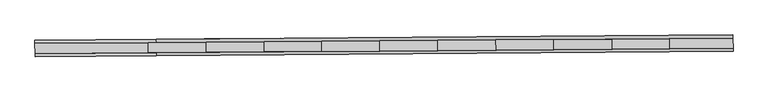
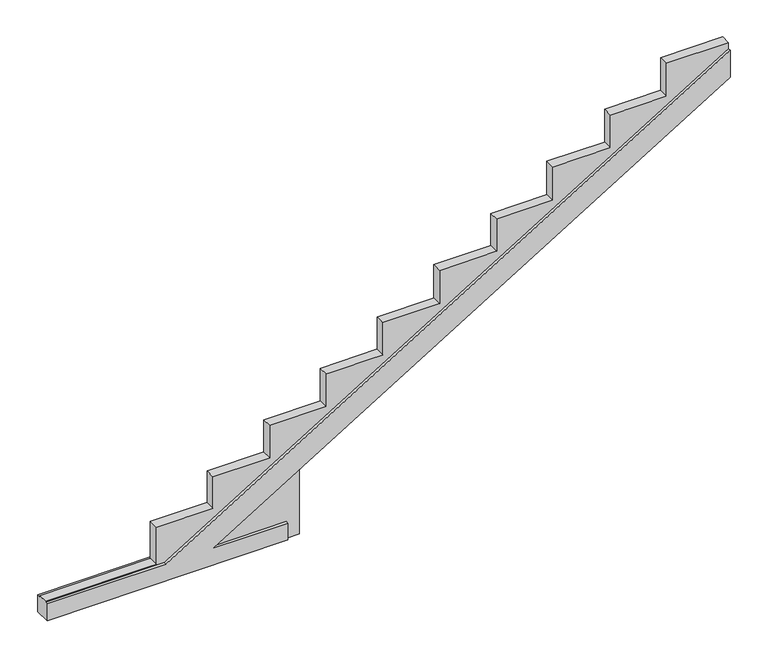
"""IFC4 building model written with IfcOpenShell, lengths in millimetres: beam geometry."""

from ifc_helpers import new_model, si_unit, origin, place, context, project, spatial, faceted_brep, source, transform, mapped, element, save


def beam_5ec02da2(model_context):
    return source(origin(), model_context, "Body", "Brep", [
        faceted_brep([(116655.0575399, 90711.8121222, -259.125), (116655.0575399, 90711.8121222, -51.4737243), (115775.4618146, 90705.3178564, -51.4737243), (121845.052147, 90750.1310945, 3618.1066772), (121845.052147, 90750.1310945, 3950.5418954), (115225.6045107, 90701.2581283, -51.4737243), (113834.095413, 90690.9842836, -51.4737243), (113834.095413, 90690.9842836, -259.125), (116653.6558693, 90901.6570695, -259.125), (113832.6937423, 90880.829231, -259.125), (113832.6937423, 90880.829231, -51.4737243), (115224.20284, 90891.1030757, -51.4737243), (121843.6504763, 90939.9760418, 3950.5418954), (121843.6504763, 90939.9760418, 3618.1066772), (115774.060144, 90895.1628037, -51.4737243), (116653.6558693, 90901.6570695, -51.4737243), (116653.9356399, 90863.7644069, -259.125), (116809.777633, 90864.9150257, -259.125), (116810.6424425, 90747.783578, -259.125), (116654.8004494, 90746.6329593, -259.125), (113833.8383224, 90725.8051207, -51.4737243), (113833.8383224, 90725.8051207, -41.4737243), (113832.9735129, 90842.9365684, -41.4737243), (113832.9735129, 90842.9365684, -51.4737243), (115225.3474201, 90736.0789654, -51.4737243), (115224.4826106, 90853.2104131, -51.4737243), (121844.7950564, 90784.9519316, 3950.5418954), (121843.9302469, 90902.0833793, 3950.5418954), (121843.9302469, 90902.0833793, 4027.5116193), (121844.7950564, 90784.9519316, 4027.5116193), (115775.2047241, 90740.1386935, -51.4737243), (116810.6424425, 90747.783578, 574.5358992), (116809.777633, 90864.9150257, 574.5358992), (115774.3399146, 90857.2701412, -51.4737243), (116654.8004494, 90746.6329593, -51.4737243), (116653.9356399, 90863.7644069, -51.4737243), (121116.7581196, 90779.5766606, 4027.5116193), (121116.7581196, 90779.5766606, 3622.5728422), (120460.0053528, 90774.7276978, 3622.5728422), (120460.0053528, 90774.7276978, 3218.8243174), (119784.9290236, 90769.7434477, 3218.8243174), (119784.9290236, 90769.7434477, 2808.3745723), (119124.8778741, 90764.8701321, 2808.3745723), (119124.8778741, 90764.8701321, 2412.9766577), (118456.450441, 90759.9349723, 2412.9766577), (118456.450441, 90759.9349723, 2002.5269125), (117791.3735214, 90755.0245503, 2002.5269125), (117791.3735214, 90755.0245503, 1603.804303), (117126.3226671, 90750.1143206, 1603.804303), (117126.3226671, 90750.1143206, 1200.0557782), (116462.8949388, 90745.2160749, 1200.0557782), (116462.8949388, 90745.2160749, 802.9825585), (115797.8180192, 90740.3056529, 802.9825585), (115797.8180192, 90740.3056529, 416.0129997), (115132.7410995, 90735.3952308, 416.0129997), (115132.7410995, 90735.3952308, -41.4737243), (115131.87629, 90852.5266785, -41.4737243), (115131.87629, 90852.5266785, 416.0129997), (115796.9532097, 90857.4371006, 416.0129997), (115796.9532097, 90857.4371006, 802.9825585), (116462.0301293, 90862.3475226, 802.9825585), (116462.0301293, 90862.3475226, 1200.0557782), (117125.4578576, 90867.2457683, 1200.0557782), (117125.4578576, 90867.2457683, 1603.804303), (117790.5087119, 90872.1559979, 1603.804303), (117790.5087119, 90872.1559979, 2002.5269125), (118455.5856315, 90877.06642, 2002.5269125), (118455.5856315, 90877.06642, 2412.9766577), (119124.0130646, 90882.0015797, 2412.9766577), (119124.0130646, 90882.0015797, 2808.3745723), (119784.0642141, 90886.8748953, 2808.3745723), (119784.0642141, 90886.8748953, 3218.8243174), (120459.1405433, 90891.8591454, 3218.8243174), (120459.1405433, 90891.8591454, 3622.5728422), (121115.8933101, 90896.7081083, 3622.5728422), (121115.8933101, 90896.7081083, 4027.5116193)], [[[0, 1, 2, 3, 4, 5, 6, 7]], [[8, 9, 10, 11, 12, 13, 14, 15]], [[0, 7, 9, 8, 16, 17, 18, 19]], [[9, 7, 6, 20, 21, 22, 23, 10]], [[6, 5, 24, 20]], [[11, 10, 23, 25]], [[5, 4, 26, 24]], [[12, 11, 25, 27]], [[4, 3, 13, 12, 27, 28, 29, 26]], [[3, 2, 30, 31, 32, 33, 14, 13]], [[2, 1, 34, 30]], [[15, 14, 33, 35]], [[1, 0, 19, 34]], [[8, 15, 35, 16]], [[19, 18, 31, 30, 34]], [[29, 36, 37, 38, 39, 40, 41, 42, 43, 44, 45, 46, 47, 48, 49, 50, 51, 52, 53, 54, 55, 21, 20, 24, 26]], [[17, 16, 35, 33, 32]], [[22, 56, 57, 58, 59, 60, 61, 62, 63, 64, 65, 66, 67, 68, 69, 70, 71, 72, 73, 74, 75, 28, 27, 25, 23]], [[18, 17, 32, 31]], [[21, 55, 56, 22]], [[55, 54, 57, 56]], [[54, 53, 58, 57]], [[53, 52, 59, 58]], [[52, 51, 60, 59]], [[51, 50, 61, 60]], [[50, 49, 62, 61]], [[49, 48, 63, 62]], [[48, 47, 64, 63]], [[47, 46, 65, 64]], [[46, 45, 66, 65]], [[45, 44, 67, 66]], [[44, 43, 68, 67]], [[43, 42, 69, 68]], [[42, 41, 70, 69]], [[41, 40, 71, 70]], [[40, 39, 72, 71]], [[39, 38, 73, 72]], [[38, 37, 74, 73]], [[37, 36, 75, 74]], [[36, 29, 28, 75]]]),
    ])


if __name__ == "__main__":
    model = new_model("IFC4")
    model_context = context("Model", 3, world=origin())
    ifc_project = project(units=[si_unit("LENGTHUNIT", "METRE", prefix="MILLI")], contexts=[model_context])
    site = spatial("IfcSite", under=ifc_project)
    building = spatial("IfcBuilding", under=site)
    placement = place(None, origin())
    beam_shape = beam_5ec02da2(model_context)
    element("IfcBeam", 1, at=placement, inside=building, context=model_context, shape_type="MappedRepresentation", body=[
        mapped(beam_shape, transform((0.0, 0.0, 0.0), x_axis=(1.0, 0.0, 0.0), y_axis=(0.0, 1.0, 0.0), z_axis=(0.0, 0.0, 1.0))),
    ])
    save(model, "model.ifc")
